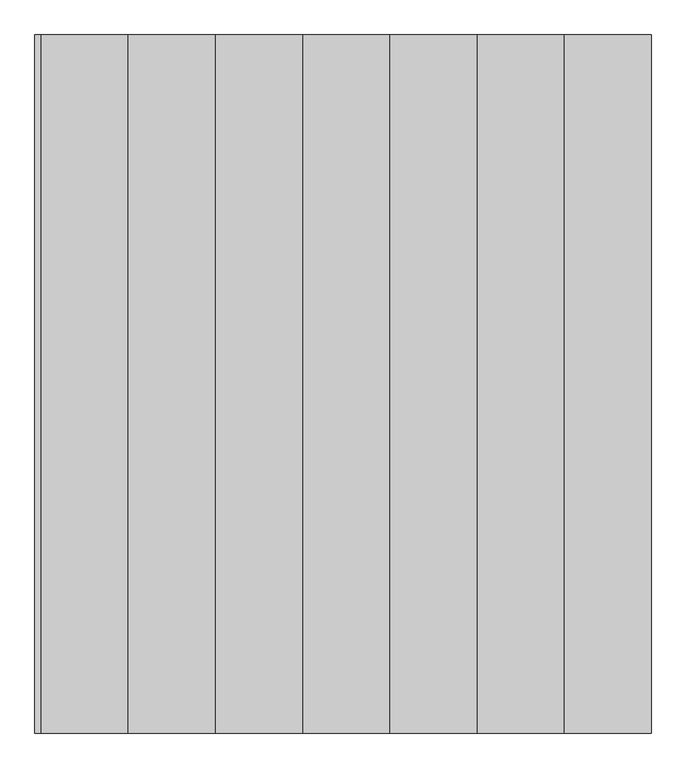
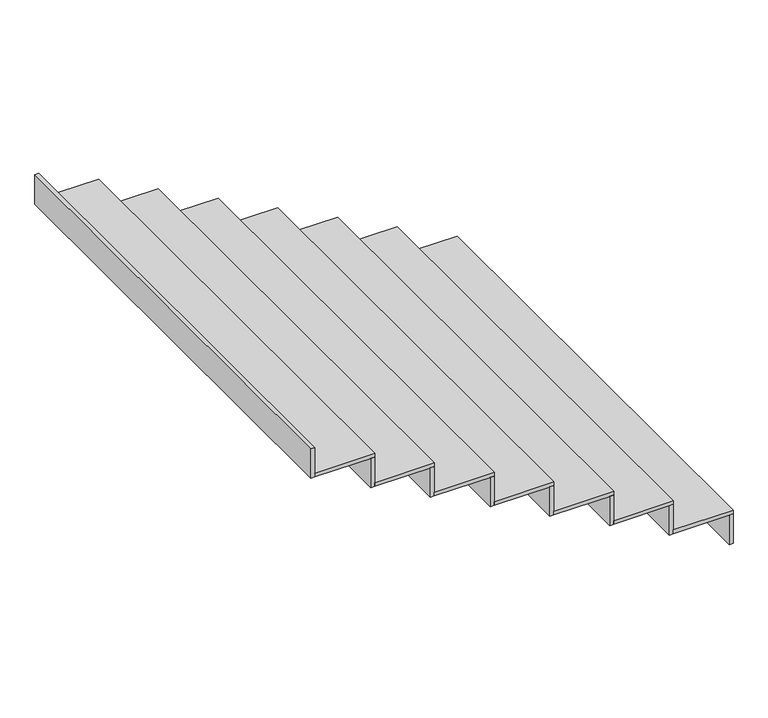
"""IFC4 building model written with IfcOpenShell, lengths in millimetres: stair flight geometry."""

from ifc_helpers import new_model, si_unit, frame, origin, place, context, project, spatial, polyline, outline, extrude, source, transform, mapped, element, save


def stair_flight_dad08a75(model_context):
    return source(origin(), model_context, "Body", "SweptSolid", [
        extrude(outline(polyline([(140353.7432689, 83115.1344505), (140373.7432689, 83115.1344505), (140373.7432689, 80715.1344505), (140353.7432689, 80715.1344505), (140353.7432689, 83115.1344505)])), frame((0.0, 0.0, 56.61279), z_axis=(0.0, 0.0, 1.0), x_axis=(1.0, 0.0, 0.0)), (0.0, 0.0, 1.0), 155.3890988),
        extrude(outline(polyline([(140073.7432689, 80715.1344505), (140073.7432689, 83115.1344505), (140373.7432689, 83115.1344505), (140373.7432689, 80715.1344505), (140073.7432689, 80715.1344505)])), frame((0.0, 0.0, 212.0018888), z_axis=(0.0, 0.0, 1.0), x_axis=(1.0, 0.0, 0.0)), (0.0, 0.0, 1.0), 20.0),
        extrude(outline(polyline([(140053.7432689, 83115.1344505), (140073.7432689, 83115.1344505), (140073.7432689, 80715.1344505), (140053.7432689, 80715.1344505), (140053.7432689, 83115.1344505)])), frame((0.0, 0.0, 212.0018888), z_axis=(0.0, 0.0, 1.0), x_axis=(1.0, 0.0, 0.0)), (0.0, 0.0, 1.0), 155.3890988),
        extrude(outline(polyline([(139773.7432689, 80715.1344505), (139773.7432689, 83115.1344505), (140073.7432689, 83115.1344505), (140073.7432689, 80715.1344505), (139773.7432689, 80715.1344505)])), frame((0.0, 0.0, 367.3909876), z_axis=(0.0, 0.0, 1.0), x_axis=(1.0, 0.0, 0.0)), (0.0, 0.0, 1.0), 20.0),
        extrude(outline(polyline([(139753.7432689, 83115.1344505), (139773.7432689, 83115.1344505), (139773.7432689, 80715.1344505), (139753.7432689, 80715.1344505), (139753.7432689, 83115.1344505)])), frame((0.0, 0.0, 367.3909876), z_axis=(0.0, 0.0, 1.0), x_axis=(1.0, 0.0, 0.0)), (0.0, 0.0, 1.0), 155.3890988),
        extrude(outline(polyline([(139473.7432689, 80715.1344505), (139473.7432689, 83115.1344505), (139773.7432689, 83115.1344505), (139773.7432689, 80715.1344505), (139473.7432689, 80715.1344505)])), frame((0.0, 0.0, 522.7800863), z_axis=(0.0, 0.0, 1.0), x_axis=(1.0, 0.0, 0.0)), (0.0, 0.0, 1.0), 20.0),
        extrude(outline(polyline([(139453.7432689, 83115.1344505), (139473.7432689, 83115.1344505), (139473.7432689, 80715.1344505), (139453.7432689, 80715.1344505), (139453.7432689, 83115.1344505)])), frame((0.0, 0.0, 522.7800863), z_axis=(0.0, 0.0, 1.0), x_axis=(1.0, 0.0, 0.0)), (0.0, 0.0, 1.0), 155.3890988),
        extrude(outline(polyline([(139173.7432689, 80715.1344505), (139173.7432689, 83115.1344505), (139473.7432689, 83115.1344505), (139473.7432689, 80715.1344505), (139173.7432689, 80715.1344505)])), frame((0.0, 0.0, 678.1691851), z_axis=(0.0, 0.0, 1.0), x_axis=(1.0, 0.0, 0.0)), (0.0, 0.0, 1.0), 20.0),
        extrude(outline(polyline([(139153.7432689, 83115.1344505), (139173.7432689, 83115.1344505), (139173.7432689, 80715.1344505), (139153.7432689, 80715.1344505), (139153.7432689, 83115.1344505)])), frame((0.0, 0.0, 678.1691851), z_axis=(0.0, 0.0, 1.0), x_axis=(1.0, 0.0, 0.0)), (0.0, 0.0, 1.0), 155.3890988),
        extrude(outline(polyline([(138873.7432689, 80715.1344505), (138873.7432689, 83115.1344505), (139173.7432689, 83115.1344505), (139173.7432689, 80715.1344505), (138873.7432689, 80715.1344505)])), frame((0.0, 0.0, 833.5582838), z_axis=(0.0, 0.0, 1.0), x_axis=(1.0, 0.0, 0.0)), (0.0, 0.0, 1.0), 20.0),
        extrude(outline(polyline([(138853.7432689, 83115.1344505), (138873.7432689, 83115.1344505), (138873.7432689, 80715.1344505), (138853.7432689, 80715.1344505), (138853.7432689, 83115.1344505)])), frame((0.0, 0.0, 833.5582838), z_axis=(0.0, 0.0, 1.0), x_axis=(1.0, 0.0, 0.0)), (0.0, 0.0, 1.0), 155.3890988),
        extrude(outline(polyline([(138573.7432689, 80715.1344505), (138573.7432689, 83115.1344505), (138873.7432689, 83115.1344505), (138873.7432689, 80715.1344505), (138573.7432689, 80715.1344505)])), frame((0.0, 0.0, 988.9473826), z_axis=(0.0, 0.0, 1.0), x_axis=(1.0, 0.0, 0.0)), (0.0, 0.0, 1.0), 20.0),
        extrude(outline(polyline([(138553.7432689, 83115.1344505), (138573.7432689, 83115.1344505), (138573.7432689, 80715.1344505), (138553.7432689, 80715.1344505), (138553.7432689, 83115.1344505)])), frame((0.0, 0.0, 988.9473826), z_axis=(0.0, 0.0, 1.0), x_axis=(1.0, 0.0, 0.0)), (0.0, 0.0, 1.0), 155.3890988),
        extrude(outline(polyline([(138253.7432689, 83115.1344505), (138273.7432689, 83115.1344505), (138273.7432689, 80715.1344505), (138253.7432689, 80715.1344505), (138253.7432689, 83115.1344505)])), frame((0.0, 0.0, 1144.3364813), z_axis=(0.0, 0.0, 1.0), x_axis=(1.0, 0.0, 0.0)), (0.0, 0.0, 1.0), 155.3890988),
        extrude(outline(polyline([(138273.7432689, 80715.1344505), (138273.7432689, 83115.1344505), (138573.7432689, 83115.1344505), (138573.7432689, 80715.1344505), (138273.7432689, 80715.1344505)])), frame((0.0, 0.0, 1144.3364813), z_axis=(0.0, 0.0, 1.0), x_axis=(1.0, 0.0, 0.0)), (0.0, 0.0, 1.0), 20.0),
    ])


if __name__ == "__main__":
    model = new_model("IFC4")
    model_context = context("Model", 3, world=origin())
    ifc_project = project(units=[si_unit("LENGTHUNIT", "METRE", prefix="MILLI")], contexts=[model_context])
    site = spatial("IfcSite", under=ifc_project)
    building = spatial("IfcBuilding", under=site)
    placement = place(None, origin())
    stair_flight_shape = stair_flight_dad08a75(model_context)
    element("IfcStairFlight", 1, at=placement, inside=building, context=model_context, shape_type="MappedRepresentation", body=[
        mapped(stair_flight_shape, transform((0.0, 0.0, 0.0), x_axis=(1.0, 0.0, 0.0), y_axis=(0.0, 1.0, 0.0), z_axis=(0.0, 0.0, 1.0))),
    ])
    save(model, "model.ifc")
